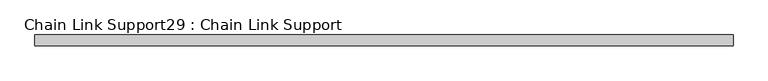
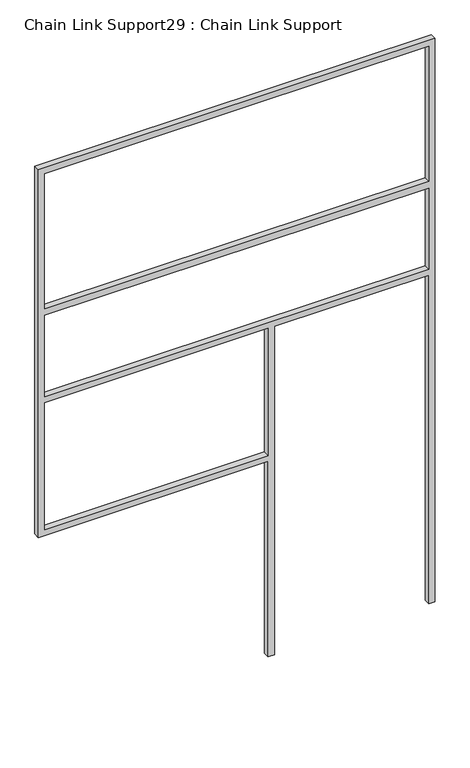
"""IFC4 building model written with IfcOpenShell, lengths in millimetres: proxy geometry, Chain Link Support29 : Chain Link Support."""

from ifc_helpers import new_model, si_unit, frame, origin, place, context, project, spatial, polyline, outline, extrude, source, transform, mapped, element, save


def chain_link_support29_chain_link_support_3d4e1e8d(model_context):
    return source(origin(), model_context, "Body", "SweptSolid", [
        extrude(outline(polyline([(3657.6, -8445.5098205), (3657.6, -10883.9098205), (1270.0, -10883.9098205), (1270.0, -9471.0348205), (0.0, -9471.0348205), (0.0, -9432.9348205), (2133.6, -9432.9348205), (2133.6, -8483.6098205), (0.0, -8483.6098205), (0.0, -8445.5098205), (3657.6, -8445.5098205)]), holes=[polyline([(2171.7, -8483.6098205), (2171.7, -10845.8098205), (2698.75, -10845.8098205), (2698.75, -8483.6098205), (2171.7, -8483.6098205)]), polyline([(1308.1, -10845.8098205), (2133.6, -10845.8098205), (2133.6, -9471.0348205), (1308.1, -9471.0348205), (1308.1, -10845.8098205)]), polyline([(2743.2, -8483.6098205), (2743.2, -10845.8098205), (3619.5, -10845.8098205), (3619.5, -8483.6098205), (2743.2, -8483.6098205)])]), frame((0.0, -5842.957317, 0.0), z_axis=(0.0, 1.0, 0.0), x_axis=(0.0, 0.0, 1.0)), (0.0, 0.0, 1.0), 38.1),
    ])


if __name__ == "__main__":
    model = new_model("IFC4")
    model_context = context("Model", 3, world=origin())
    ifc_project = project(units=[si_unit("LENGTHUNIT", "METRE", prefix="MILLI")], contexts=[model_context])
    site = spatial("IfcSite", under=ifc_project)
    building = spatial("IfcBuilding", under=site)
    placement = place(None, origin())
    chain_link_support29_chain_link_support_shape = chain_link_support29_chain_link_support_3d4e1e8d(model_context)
    element("IfcBuildingElementProxy", 1, Name="Chain Link Support29 : Chain Link Support", ObjectType="Chain Link Support29 : Chain Link Support", at=placement, inside=building, context=model_context, shape_type="MappedRepresentation", body=[
        mapped(chain_link_support29_chain_link_support_shape, transform((0.0, 0.0, 0.0), x_axis=(1.0, 0.0, 0.0), y_axis=(0.0, 1.0, 0.0), z_axis=(0.0, 0.0, 1.0))),
    ])
    save(model, "model.ifc")
